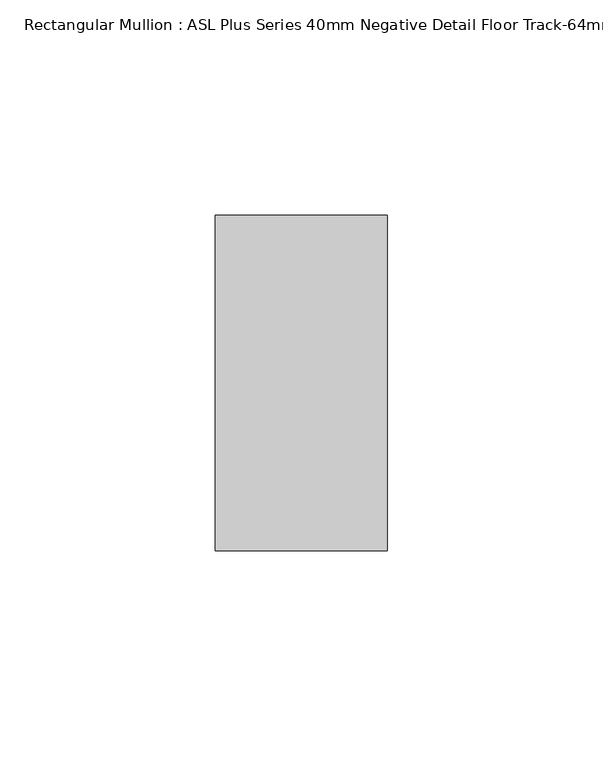
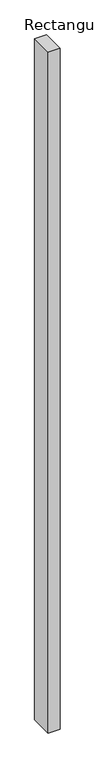
"""IFC4 building model written with IfcOpenShell, lengths in millimetres: member geometry, Rectangular Mullion : ASL Plus Series 40mm Negative Detail Floor Track-64mm Stud."""

from ifc_helpers import new_model, si_unit, frame, origin, place, context, project, spatial, polyline, outline, extrude, source, transform, mapped, element, save


def rectangular_mullion_asl_plus_series_40mm_negative_detail_c96dbd1b(model_context):
    return source(origin(), model_context, "Body", "SweptSolid", [
        extrude(outline(polyline([(0.0, 39.0), (0.0, -39.0), (-40.0, -39.0), (-40.0, 39.0), (0.0, 39.0)])), frame((0.0, 0.0, -2400.0), z_axis=(0.0, 0.0, 1.0), x_axis=(1.0, 0.0, 0.0)), (0.0, 0.0, 1.0), 2400.0),
    ])


if __name__ == "__main__":
    model = new_model("IFC4")
    model_context = context("Model", 3, world=origin())
    ifc_project = project(units=[si_unit("LENGTHUNIT", "METRE", prefix="MILLI")], contexts=[model_context])
    site = spatial("IfcSite", under=ifc_project)
    building = spatial("IfcBuilding", under=site)
    placement = place(None, origin())
    rectangular_mullion_asl_plus_series_40mm_negative_detail_shape = rectangular_mullion_asl_plus_series_40mm_negative_detail_c96dbd1b(model_context)
    element("IfcMember", 1, ObjectType="Rectangular Mullion : ASL Plus Series 40mm Negative Detail Floor Track-64mm Stud", at=placement, inside=building, context=model_context, shape_type="MappedRepresentation", body=[
        mapped(rectangular_mullion_asl_plus_series_40mm_negative_detail_shape, transform((0.0, 0.0, 0.0), x_axis=(1.0, 0.0, 0.0), y_axis=(0.0, 1.0, 0.0), z_axis=(0.0, 0.0, 1.0))),
    ])
    save(model, "model.ifc")
